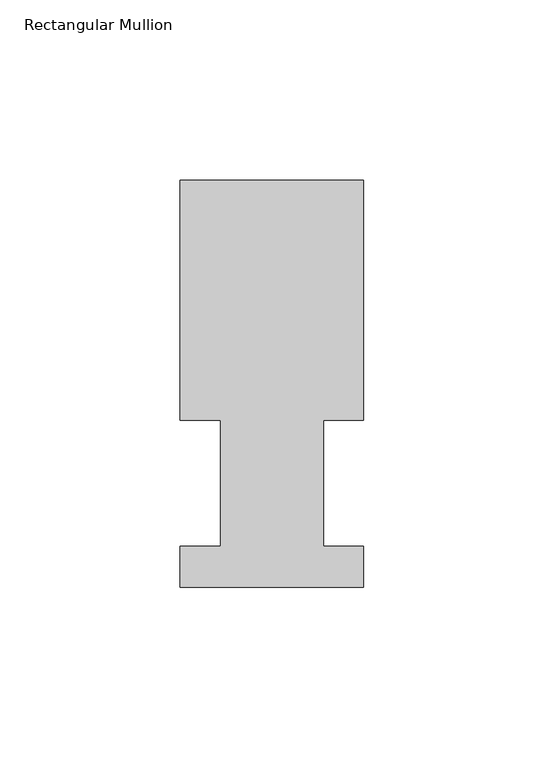
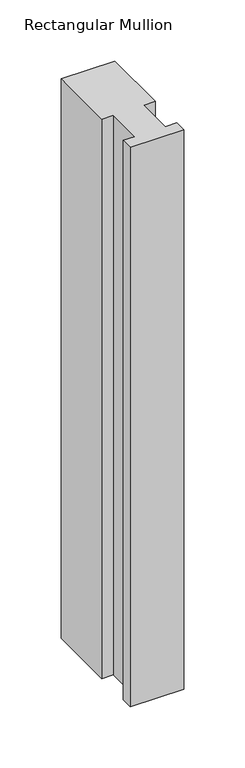
"""IFC4 building model written with IfcOpenShell, lengths in millimetres: member geometry, Rectangular Mullion."""

import ifcopenshell
import ifcopenshell.guid

model = None  # the IFC model being written
_history = None  # IfcOwnerHistory: only IFC2X3 demands one
_inside = {}  # id of a spatial element -> (the spatial element, [elements in it])
_under = {}  # id of a project, library or spatial element -> (it, [spatial elements below it])
_declared = {}  # id of a project -> (the project, [libraries it declares])
_typed = {}  # id of a type object -> (the type object, [elements of that type])
_made_of = {}  # id of a material, layer set ... -> (it, [elements and type objects made of it])


def new_model(schema):
    """Start an empty IFC model of exactly this schema.

    Asked for "IFC4X3", IfcOpenShell would pick the latest addendum, in which some entities
    have other attributes; the version numbers below select the first issue.
    IFC2X3 requires an IfcOwnerHistory on every rooted entity: one is made here for all.
    """
    global model, _history
    if schema == "IFC4X3":
        model = ifcopenshell.file(schema_version=(4, 3, 0, 0))
    else:
        model = ifcopenshell.file(schema=schema)
    _inside.clear()
    _under.clear()
    _declared.clear()
    _typed.clear()
    _made_of.clear()
    _history = None
    if model.schema == "IFC2X3":
        org = make("IfcOrganization", Name="unknown")
        user = make(
            "IfcPersonAndOrganization",
            ThePerson=make("IfcPerson", FamilyName="unknown"),
            TheOrganization=org,
        )
        app = make(
            "IfcApplication",
            ApplicationDeveloper=org,
            Version="unknown",
            ApplicationFullName="unknown",
            ApplicationIdentifier="unknown",
        )
        _history = make(
            "IfcOwnerHistory",
            OwningUser=user,
            OwningApplication=app,
            ChangeAction="ADDED",
            CreationDate=0,
        )
    return model


def make(cls, **values):
    """One entity of the class cls with the attributes given. An attribute that is None is left unset."""
    return model.create_entity(
        cls, **{name: value for name, value in values.items() if value is not None}
    )


def rooted(cls, **values):
    """An entity with a GlobalId (a new one), such as an element, a storey or a relation."""
    return make(cls, GlobalId=ifcopenshell.guid.new(), OwnerHistory=_history, **values)


def si_unit(unit_type, name, prefix=None):
    """IfcSIUnit, for example si_unit("LENGTHUNIT", "METRE", prefix="MILLI")."""
    return make("IfcSIUnit", UnitType=unit_type, Prefix=prefix, Name=name)


def assignment(units):
    """IfcUnitAssignment: the units of a project."""
    return None if units is None else make("IfcUnitAssignment", Units=units)


def point(xyz):
    """IfcCartesianPoint."""
    return None if xyz is None else make("IfcCartesianPoint", Coordinates=xyz)


def direction(xyz):
    """IfcDirection."""
    return None if xyz is None else make("IfcDirection", DirectionRatios=xyz)


def frame(location, z_axis=None, x_axis=None):
    """IfcAxis2Placement3D, a coordinate frame: its origin and axes. An axis left out is left unset."""
    return make(
        "IfcAxis2Placement3D",
        Location=point(location),
        Axis=direction(z_axis),
        RefDirection=direction(x_axis),
    )


def origin():
    """The frame at (0, 0, 0) with its axes left unset."""
    return frame((0.0, 0.0, 0.0))


def place(relative_to, where):
    """IfcLocalPlacement: puts the frame where relative to a parent placement (None: the world)."""
    return make(
        "IfcLocalPlacement", PlacementRelTo=relative_to, RelativePlacement=where
    )


def context(
    kind, dimensions, precision=None, world=None, true_north=None, identifier=None
):
    """IfcGeometricRepresentationContext, for example the 3D "Model" context."""
    return make(
        "IfcGeometricRepresentationContext",
        ContextIdentifier=identifier,
        ContextType=kind,
        CoordinateSpaceDimension=dimensions,
        Precision=precision,
        WorldCoordinateSystem=world,
        TrueNorth=true_north,
    )


def project(units=None, contexts=None):
    """IfcProject with its units and contexts."""
    return rooted(
        "IfcProject",
        Name="project",
        RepresentationContexts=contexts,
        UnitsInContext=assignment(units),
    )


def spatial(cls, under=None, at=None, **own):
    """A site, building, storey or space (cls), placed at a placement, below another one or the project."""
    s = rooted(cls, ObjectPlacement=at, **own)
    if under is not None:
        _under.setdefault(under.id(), (under, []))[1].append(s)
    return s


def polyline(points):
    """IfcPolyline through the points."""
    return make("IfcPolyline", Points=[point(p) for p in points])


def outline(outer, holes=None, kind="AREA"):
    """IfcArbitraryClosedProfileDef: a profile drawn as a closed curve; with holes, ...WithVoids."""
    if holes is None:
        return make("IfcArbitraryClosedProfileDef", ProfileType=kind, OuterCurve=outer)
    return make(
        "IfcArbitraryProfileDefWithVoids",
        ProfileType=kind,
        OuterCurve=outer,
        InnerCurves=holes,
    )


def extrude(swept, where, along, depth):
    """IfcExtrudedAreaSolid: the profile swept, set in the frame where, extruded along a direction by depth."""
    return make(
        "IfcExtrudedAreaSolid",
        SweptArea=swept,
        Position=where,
        ExtrudedDirection=direction(along),
        Depth=depth,
    )


def shape(context_of_items, identifier, shape_type, items):
    """IfcShapeRepresentation: the items that make up one representation, for example the "Body"."""
    return make(
        "IfcShapeRepresentation",
        ContextOfItems=context_of_items,
        RepresentationIdentifier=identifier,
        RepresentationType=shape_type,
        Items=items,
    )


def source(mapping_origin, context_of_items, identifier, shape_type, items):
    """IfcRepresentationMap: a shape defined once, which mapped items show again and again."""
    return make(
        "IfcRepresentationMap",
        MappingOrigin=mapping_origin,
        MappedRepresentation=shape(context_of_items, identifier, shape_type, items),
    )


def transform(
    local_origin,
    x_axis=None,
    y_axis=None,
    z_axis=None,
    scale=None,
    scale2=None,
    scale3=None,
    uniform=True,
):
    """IfcCartesianTransformationOperator3D, or its non-uniform kind. x_axis, y_axis, z_axis: its Axis1, 2, 3."""
    if uniform:
        return make(
            "IfcCartesianTransformationOperator3D",
            Axis1=direction(x_axis),
            Axis2=direction(y_axis),
            LocalOrigin=point(local_origin),
            Scale=scale,
            Axis3=direction(z_axis),
        )
    return make(
        "IfcCartesianTransformationOperator3DnonUniform",
        Axis1=direction(x_axis),
        Axis2=direction(y_axis),
        LocalOrigin=point(local_origin),
        Scale=scale,
        Axis3=direction(z_axis),
        Scale2=scale2,
        Scale3=scale3,
    )


def mapped(mapping_source, mapping_target):
    """IfcMappedItem: shows the shape of a source again, moved by a transform."""
    return make(
        "IfcMappedItem", MappingSource=mapping_source, MappingTarget=mapping_target
    )


def made_of(thing, what):
    """Note that an element or type object is made of a material, layer set ...; save() writes the relation."""
    if what is not None:
        _made_of.setdefault(what.id(), (what, []))[1].append(thing)
    return thing


def element(
    cls,
    number,
    at=None,
    inside=None,
    cuts=None,
    type_object=None,
    material=None,
    context=None,
    identifier="Body",
    shape_type=None,
    held_by="IfcProductDefinitionShape",
    body=None,
    shapes=None,
    **own,
):
    """One element of the class cls, such as IfcWall. Its Tag is "e" and its number.

    at: its placement. inside: the storey or other place that contains it. cuts: it is an
    opening in that element (IfcRelVoidsElement). A single representation is given by context,
    identifier, shape_type and body (its items); several are given by shapes. held_by: the class
    of the entity that holds the representations. save() writes the other relations.
    """
    e = rooted(cls, Tag="e%d" % number, ObjectPlacement=at, **own)
    if body is not None:
        shapes = [shape(context, identifier, shape_type, body)]
    if shapes is not None:
        e.Representation = make(held_by, Representations=shapes)
    if inside is not None:
        _inside.setdefault(inside.id(), (inside, []))[1].append(e)
    if cuts is not None:
        rooted(
            "IfcRelVoidsElement", RelatingBuildingElement=cuts, RelatedOpeningElement=e
        )
    if type_object is not None:
        _typed.setdefault(type_object.id(), (type_object, []))[1].append(e)
    return made_of(e, material)


def aggregate(whole, parts):
    """IfcRelAggregates: a whole, such as a stair, and the parts it consists of."""
    return rooted("IfcRelAggregates", RelatingObject=whole, RelatedObjects=parts)


def save(model, path):
    """Write the relations noted so far, then the file.

    IfcRelAggregates (storeys below a building ...), IfcRelContainedInSpatialStructure (elements
    in a storey), IfcRelDefinesByType, IfcRelAssociatesMaterial and IfcRelDeclares: one each for
    every whole, place, type object, material and project.
    """
    for whole, parts in _under.values():
        aggregate(whole, parts)
    for where, things in _inside.values():
        rooted(
            "IfcRelContainedInSpatialStructure",
            RelatedElements=things,
            RelatingStructure=where,
        )
    for kind, things in _typed.values():
        rooted("IfcRelDefinesByType", RelatedObjects=things, RelatingType=kind)
    for what, things in _made_of.values():
        rooted("IfcRelAssociatesMaterial", RelatedObjects=things, RelatingMaterial=what)
    for by, libraries in _declared.values():
        rooted("IfcRelDeclares", RelatingContext=by, RelatedDefinitions=libraries)
    model.write(path)


def rectangular_mullion_e47306f1(model_context):
    return source(origin(), model_context, "Body", "SweptSolid", [
        extrude(outline(polyline([(-50.8, 0.739775), (-50.8, 12.144375), (-39.6875, 12.144375), (-39.6875, 47.069375), (-50.8, 47.069375), (-50.8, 113.464975), (0.0, 113.464975), (0.0, 47.069375), (-11.0998, 47.069375), (-11.0998, 12.144375), (0.0, 12.144375), (0.0, 0.739775), (-50.8, 0.739775)])), frame((0.0, 0.0, -558.8), z_axis=(0.0, 0.0, 1.0), x_axis=(1.0, 0.0, 0.0)), (0.0, 0.0, 1.0), 558.8),
    ])


if __name__ == "__main__":
    model = new_model("IFC4")
    model_context = context("Model", 3, world=origin())
    ifc_project = project(units=[si_unit("LENGTHUNIT", "METRE", prefix="MILLI")], contexts=[model_context])
    site = spatial("IfcSite", under=ifc_project)
    building = spatial("IfcBuilding", under=site)
    placement = place(None, origin())
    rectangular_mullion_shape = rectangular_mullion_e47306f1(model_context)
    element("IfcMember", 1, ObjectType="Rectangular Mullion", at=placement, inside=building, context=model_context, shape_type="MappedRepresentation", body=[
        mapped(rectangular_mullion_shape, transform((0.0, 0.0, 0.0), x_axis=(1.0, 0.0, 0.0), y_axis=(0.0, 1.0, 0.0), z_axis=(0.0, 0.0, 1.0))),
    ])
    save(model, "model.ifc")
